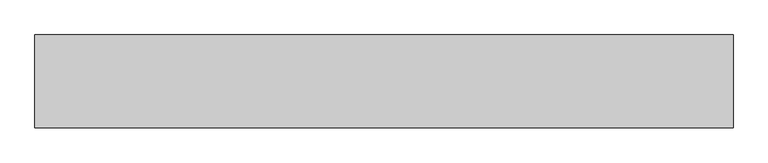
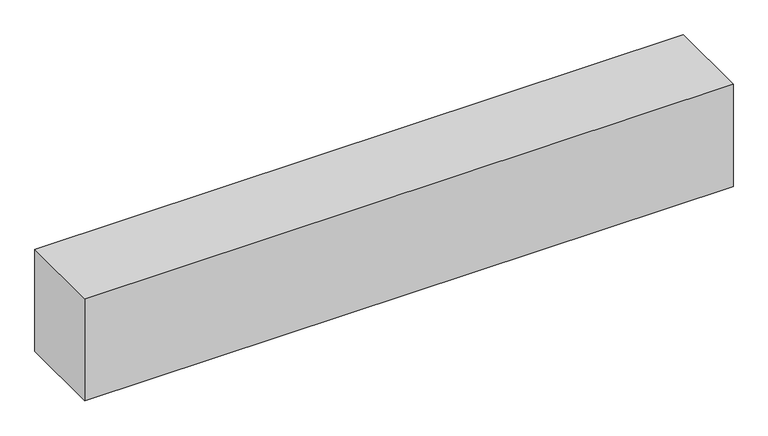
"""IFC4 building model written with IfcOpenShell, lengths in millimetres: beam geometry."""

from ifc_helpers import new_model, si_unit, origin, origin_with_axes, place, context, project, spatial, polyline, outline, extrude, source, transform, mapped, element, save


def beam_d1890a78(model_context):
    return source(origin(), model_context, "Body", "SweptSolid", [
        extrude(outline(polyline([(750.0, 100.0), (750.0, -100.0), (-750.0, -100.0), (-750.0, 100.0), (750.0, 100.0)])), origin_with_axes(), (0.0, 0.0, 1.0), 250.0),
    ])


if __name__ == "__main__":
    model = new_model("IFC4")
    model_context = context("Model", 3, world=origin())
    ifc_project = project(units=[si_unit("LENGTHUNIT", "METRE", prefix="MILLI")], contexts=[model_context])
    site = spatial("IfcSite", under=ifc_project)
    building = spatial("IfcBuilding", under=site)
    placement = place(None, origin())
    beam_shape = beam_d1890a78(model_context)
    element("IfcBeam", 1, at=placement, inside=building, context=model_context, shape_type="MappedRepresentation", body=[
        mapped(beam_shape, transform((0.0, 0.0, 0.0), x_axis=(1.0, 0.0, 0.0), y_axis=(0.0, 1.0, 0.0), z_axis=(0.0, 0.0, 1.0))),
    ])
    save(model, "model.ifc")
